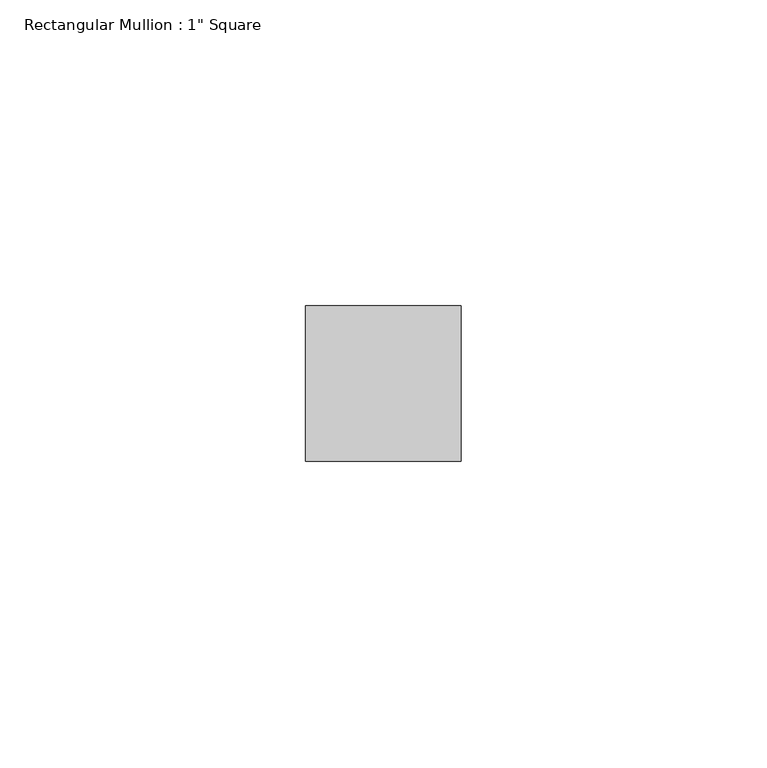
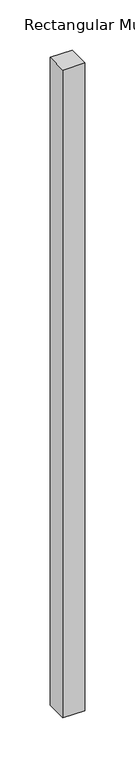
"""IFC4 building model written with IfcOpenShell, lengths in millimetres: member geometry."""

from ifc_helpers import new_model, si_unit, frame, origin, place, context, project, spatial, polyline, outline, extrude, source, transform, mapped, element, save


def member_5fab85cf(model_context):
    return source(origin(), model_context, "Body", "SweptSolid", [
        extrude(outline(polyline([(0.0, 12.7), (0.0, -12.7), (-25.4, -12.7), (-25.4, 12.7), (0.0, 12.7)])), frame((0.0, 0.0, -789.3590832), z_axis=(0.0, 0.0, 1.0), x_axis=(1.0, 0.0, 0.0)), (0.0, 0.0, 1.0), 789.3590832),
    ])


if __name__ == "__main__":
    model = new_model("IFC4")
    model_context = context("Model", 3, world=origin())
    ifc_project = project(units=[si_unit("LENGTHUNIT", "METRE", prefix="MILLI")], contexts=[model_context])
    site = spatial("IfcSite", under=ifc_project)
    building = spatial("IfcBuilding", under=site)
    placement = place(None, origin())
    member_shape = member_5fab85cf(model_context)
    element("IfcMember", 1, ObjectType="Rectangular Mullion : 1\" Square", at=placement, inside=building, context=model_context, shape_type="MappedRepresentation", body=[
        mapped(member_shape, transform((0.0, 0.0, 0.0), x_axis=(1.0, 0.0, 0.0), y_axis=(0.0, 1.0, 0.0), z_axis=(0.0, 0.0, 1.0))),
    ])
    save(model, "model.ifc")
